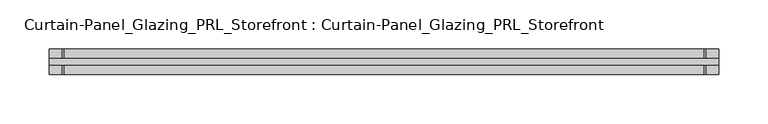
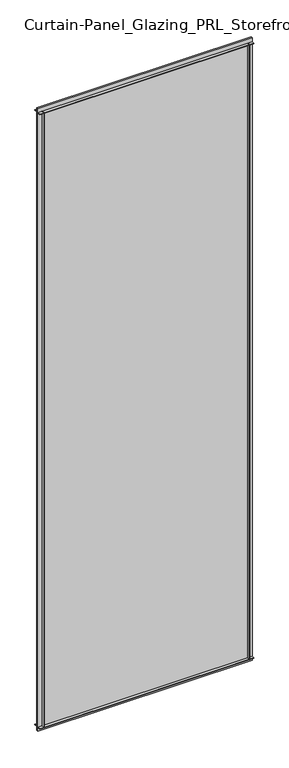
"""IFC4 building model written with IfcOpenShell, lengths in millimetres: plate geometry, Curtain-Panel_Glazing_PRL_Storefront : Curtain-Panel_Glazing_PRL_Storefront."""

from ifc_helpers import new_model, si_unit, frame, origin, origin_with_axes, place, context, project, spatial, polyline, outline, extrude, source, transform, mapped, element, save


def curtain_panel_glazing_prl_storefront_curtain_panel_glazing_fa3c22d6(model_context):
    return source(origin(), model_context, "Body", "SweptSolid", [
        extrude(outline(polyline([(269.875, 12.7), (269.875, 3.175), (268.2875, 3.175), (268.2875, 12.7), (269.875, 12.7)])), frame((0.0, 0.0, 12.7), z_axis=(0.0, 0.0, 1.0), x_axis=(1.0, 0.0, 0.0)), (0.0, 0.0, 1.0), 2051.05),
        extrude(outline(polyline([(269.875, -12.7), (268.2875, -12.7), (268.2875, -3.175), (269.875, -3.175), (269.875, -12.7)])), frame((0.0, 0.0, 12.7), z_axis=(0.0, 0.0, 1.0), x_axis=(1.0, 0.0, 0.0)), (0.0, 0.0, 1.0), 2051.05),
        extrude(outline(polyline([(-381.0, 12.7), (-379.4125, 12.7), (-379.4125, 3.175), (-381.0, 3.175), (-381.0, 12.7)])), frame((0.0, 0.0, 12.7), z_axis=(0.0, 0.0, 1.0), x_axis=(1.0, 0.0, 0.0)), (0.0, 0.0, 1.0), 2051.05),
        extrude(outline(polyline([(-381.0, -12.7), (-381.0, -3.175), (-379.4125, -3.175), (-379.4125, -12.7), (-381.0, -12.7)])), frame((0.0, 0.0, 12.7), z_axis=(0.0, 0.0, 1.0), x_axis=(1.0, 0.0, 0.0)), (0.0, 0.0, 1.0), 2051.05),
        extrude(outline(polyline([(282.575, -3.175), (-393.7, -3.175), (-393.7, 3.175), (282.575, 3.175), (282.575, -3.175)])), origin_with_axes(), (0.0, 0.0, 1.0), 2076.45),
        extrude(outline(polyline([(-393.7, 12.7), (282.575, 12.7), (282.575, 3.175), (-393.7, 3.175), (-393.7, 12.7)])), frame((0.0, 0.0, 2062.1625), z_axis=(0.0, 0.0, 1.0), x_axis=(1.0, 0.0, 0.0)), (0.0, 0.0, 1.0), 1.5875),
        extrude(outline(polyline([(-393.7, -12.7), (-393.7, -3.175), (282.575, -3.175), (282.575, -12.7), (-393.7, -12.7)])), frame((0.0, 0.0, 2062.1625), z_axis=(0.0, 0.0, 1.0), x_axis=(1.0, 0.0, 0.0)), (0.0, 0.0, 1.0), 1.5875),
        extrude(outline(polyline([(-393.7, 12.7), (282.575, 12.7), (282.575, 3.175), (-393.7, 3.175), (-393.7, 12.7)])), frame((0.0, 0.0, 12.7), z_axis=(0.0, 0.0, 1.0), x_axis=(1.0, 0.0, 0.0)), (0.0, 0.0, 1.0), 1.5875),
        extrude(outline(polyline([(-393.7, -12.7), (-393.7, -3.175), (282.575, -3.175), (282.575, -12.7), (-393.7, -12.7)])), frame((0.0, 0.0, 12.7), z_axis=(0.0, 0.0, 1.0), x_axis=(1.0, 0.0, 0.0)), (0.0, 0.0, 1.0), 1.5875),
    ])


if __name__ == "__main__":
    model = new_model("IFC4")
    model_context = context("Model", 3, world=origin())
    ifc_project = project(units=[si_unit("LENGTHUNIT", "METRE", prefix="MILLI")], contexts=[model_context])
    site = spatial("IfcSite", under=ifc_project)
    building = spatial("IfcBuilding", under=site)
    placement = place(None, origin())
    curtain_panel_glazing_prl_storefront_curtain_panel_glazing_shape = curtain_panel_glazing_prl_storefront_curtain_panel_glazing_fa3c22d6(model_context)
    element("IfcPlate", 1, ObjectType="Curtain-Panel_Glazing_PRL_Storefront : Curtain-Panel_Glazing_PRL_Storefront", at=placement, inside=building, context=model_context, shape_type="MappedRepresentation", body=[
        mapped(curtain_panel_glazing_prl_storefront_curtain_panel_glazing_shape, transform((0.0, 0.0, 0.0), x_axis=(1.0, 0.0, 0.0), y_axis=(0.0, 1.0, 0.0), z_axis=(0.0, 0.0, 1.0))),
    ])
    save(model, "model.ifc")
